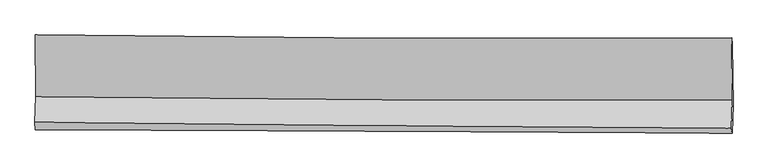
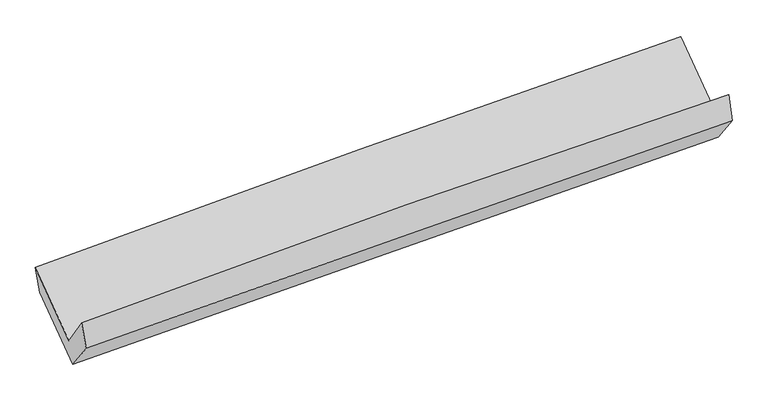
"""IFC4 building model written with IfcOpenShell, lengths in millimetres: proxy geometry."""

from ifc_helpers import new_model, si_unit, frame, origin, place, context, project, spatial, source, transform, mapped, element, save
from ifc_brep_helpers import plane_surface, spline_curve, spline_surface, advanced_brep


def generic_models_a8e38f56(model_context):
    return source(origin(), model_context, "Body", "AdvancedBrep", [
        advanced_brep(
        [(-3031.3999479, -1172.7543032, 2144.9178673), (-3023.7940213, -1707.1570258, 1737.2505601), (3014.8109085, -1734.8584179, 1921.6098211), (3007.9658065, -1197.3033173, 2331.7051627), (-3032.787462, -1930.1716535, 2051.7599925), (3005.6739762, -1982.2591995, 2236.7979546), (-3027.6969292, -1995.5012063, 1836.2007445), (3011.1709176, -2023.4542053, 2001.4429445), (-3019.0393058, -1766.5470173, 1536.2309148), (3020.2872548, -1782.3691538, 1685.579574), (-3026.3709437, -1238.1987186, 1931.7868093), (3013.7524691, -1254.858473, 2080.5309761)],
        [
            (0, 1),
            (1, 2, spline_curve(3, [(-3023.7940213, -1707.1570258, 1737.2505601), (-2017.919612166, -1721.992293762, 1791.727996464), (-1011.685904426, -1731.717935366, 1834.330536819), (1001.182632126, -1740.948510155, 1895.776134159), (2007.817234017, -1740.45666601, 1914.626681048), (3014.8109085, -1734.8584179, 1921.6098211)], [4, 2, 4], [0.0, 9.91372837268579, 19.824329980406524])),
            (2, 3),
            (3, 0, spline_curve(3, [(3007.9658065, -1197.3033173, 2331.7051627), (2000.88869235, -1205.307548948, 2322.883229447), (994.148981933, -1207.265189877, 2302.910869021), (-1018.973149431, -1199.086001072, 2240.655474233), (-2025.355356731, -1188.945355471, 2198.365402773), (-3031.3999479, -1172.7543032, 2144.9178673)], [4, 2, 4], [0.0, 9.910601607720734, 19.824329980406524])),
            (1, 4),
            (4, 5, spline_curve(3, [(-3032.787462, -1930.1716535, 2051.7599925), (-2026.966076281, -1942.993657485, 2109.019658908), (-1020.770837201, -1953.745646645, 2153.069671195), (992.049878243, -1971.106856482, 2214.740660833), (1998.675118488, -1977.717382749, 2232.369969121), (3005.6739762, -1982.2591995, 2236.7979546)], [4, 2, 4], [0.0, 9.913102775786188, 19.823078983919007])),
            (5, 2),
            (4, 6),
            (6, 7, spline_curve(3, [(-3027.6969292, -1995.5012063, 1836.2007445), (-2021.240934615, -2000.423502538, 1867.818835262), (-1014.694563138, -2005.214413894, 1897.399914766), (998.261442842, -2014.531997104, 1952.479363505), (2004.671020356, -2019.058752214, 1977.979017367), (3011.1709176, -2023.4542053, 2001.4429445)], [4, 2, 4], [0.0, 9.912226903308877, 19.82132751521236])),
            (7, 5),
            (6, 8),
            (8, 9, spline_curve(3, [(-3019.0393058, -1766.5470173, 1536.2309148), (-2012.506876048, -1769.447959021, 1565.20067974), (-1005.884054748, -1772.217128405, 1592.132925458), (1007.224855535, -1777.491090967, 1641.914526808), (2013.710888096, -1779.995966936, 1664.765167527), (3020.2872548, -1782.3691538, 1685.579574)], [4, 2, 4], [0.0, 9.91166354303295, 19.820200972342914])),
            (9, 7),
            (8, 10),
            (10, 11, spline_curve(3, [(-3026.3709437, -1238.1987186, 1931.7868093), (-2019.654522319, -1243.722925309, 1958.796876803), (-1012.873294356, -1247.873343586, 1984.699038423), (1000.501217252, -1253.425728871, 2034.279728332), (2007.09446038, -1254.828561783, 2057.958955904), (3013.7524691, -1254.858473, 2080.5309761)], [4, 2, 4], [0.0, 9.912315374405926, 19.821504429502895])),
            (11, 9),
            (10, 0),
            (3, 11),
        ],
        [
            spline_surface(3, 3, [[(-3031.3999479, -1172.7543032, 2144.9178673), (-2025.355356798, -1188.945355371, 2198.365402921), (-1018.973149279, -1199.086001101, 2240.655474216), (994.148981782, -1207.265189848, 2302.910869038), (2000.888692408, -1205.307548797, 2322.883229574), (3007.9658065, -1197.3033173, 2331.7051627)], [(-3028.864639025, -1350.888544089, 2009.028764894), (-2022.876775287, -1366.627668179, 2062.819600718), (-1016.544067659, -1376.629979185, 2105.213828363), (996.4935319, -1385.159629928, 2167.19929076), (2003.198206358, -1383.690587814, 2186.797713344), (3010.247507196, -1376.488350831, 2195.006715496)], [(-3026.329330175, -1529.022784911, 1873.139662506), (-2020.398193801, -1544.309980918, 1927.273798533), (-1014.114986048, -1554.173957309, 1969.77218257), (998.83808201, -1563.054070047, 2031.48771254), (2005.50772022, -1562.073626838, 2050.712197128), (3012.529207804, -1555.673384369, 2058.308268304)], [(-3023.7940213, -1707.1570258, 1737.2505601), (-2017.91961229, -1721.992293725, 1791.727996329), (-1011.685904428, -1731.717935393, 1834.330536717), (1001.182632129, -1740.948510127, 1895.776134261), (2007.817234169, -1740.456665855, 1914.626680899), (3014.8109085, -1734.8584179, 1921.6098211)]], [4, 4], [4, 2, 4], [0.0, 2.2002115826681714], [0.0, 9.91372837268579, 19.824329980406524]),
            spline_surface(3, 3, [[(-3023.7940213, -1707.1570258, 1737.2505601), (-2017.91961229, -1721.992293725, 1791.727996329), (-1011.685904428, -1731.717935393, 1834.330536717), (1001.182632129, -1740.948510127, 1895.776134261), (2007.817234169, -1740.456665855, 1914.626680899), (3014.8109085, -1734.8584179, 1921.6098211)], [(-3026.791834858, -1781.495235026, 1842.087037563), (-2020.935100245, -1795.659415015, 1897.491883876), (-1014.714215324, -1805.7271725, 1940.576914924), (998.138380778, -1817.667958909, 2002.097643094), (2004.769862244, -1819.543571472, 2020.541110306), (3011.765264397, -1817.325345082, 2026.672532267)], [(-3029.789648442, -1855.833444274, 1946.923515037), (-2023.950588227, -1869.326536327, 2003.255771434), (-1017.742526178, -1879.736409578, 2046.823293096), (995.094129468, -1894.387407661, 2108.419151893), (2001.722490328, -1898.630477143, 2126.455539711), (3008.719620303, -1899.792272318, 2131.735243433)], [(-3032.787462, -1930.1716535, 2051.7599925), (-2026.966076181, -1942.993657617, 2109.01965898), (-1020.770837074, -1953.745646684, 2153.069671303), (992.049878117, -1971.106856443, 2214.740660726), (1998.675118403, -1977.71738276, 2232.369969119), (3005.6739762, -1982.2591995, 2236.7979546)]], [4, 4], [4, 2, 4], [0.0, 1.2827493085654056], [0.0, 9.913102775786188, 19.823078983919007]),
            spline_surface(3, 3, [[(-3032.787462, -1930.1716535, 2051.7599925), (-2026.966076181, -1942.993657617, 2109.01965898), (-1020.770837074, -1953.745646684, 2153.069671303), (992.049878117, -1971.106856443, 2214.740660726), (1998.675118403, -1977.71738276, 2232.369969119), (3005.6739762, -1982.2591995, 2236.7979546)], [(-3031.090617756, -1951.948171081, 1979.90690985), (-2025.057695659, -1962.136939208, 2028.619384466), (-1018.745412406, -1970.901902366, 2067.846419151), (994.1203997, -1985.58190336, 2127.320228297), (2000.673752351, -1991.497839259, 2147.572985207), (3007.506289976, -1995.990868101, 2158.346284586)], [(-3029.393773444, -1973.724688719, 1908.05382715), (-2023.14931507, -1981.280220854, 1948.219109902), (-1016.719987784, -1988.058158085, 1982.623166991), (996.190921237, -2000.056950314, 2039.899795861), (2002.67238637, -2005.278295754, 2062.776001238), (3009.338603824, -2009.722536699, 2079.894614514)], [(-3027.6969292, -1995.5012063, 1836.2007445), (-2021.240934548, -2000.423502445, 1867.818835387), (-1014.694563115, -2005.214413766, 1897.399914838), (998.26144282, -2014.531997231, 1952.479363432), (2004.671020318, -2019.058752253, 1977.979017326), (3011.1709176, -2023.4542053, 2001.4429445)]], [4, 4], [4, 2, 4], [0.0, 0.8639996187027604], [0.0, 9.912226903308877, 19.82132751521236]),
            spline_surface(3, 3, [[(-3027.6969292, -1995.5012063, 1836.2007445), (-2021.240934548, -2000.423502445, 1867.818835387), (-1014.694563115, -2005.214413766, 1897.399914838), (998.26144282, -2014.531997231, 1952.479363432), (2004.671020318, -2019.058752253, 1977.979017326), (3011.1709176, -2023.4542053, 2001.4429445)], [(-3024.811054703, -1919.183143297, 1736.210801264), (-2018.329581701, -1923.431654662, 1766.94611684), (-1011.757727034, -1927.548652024, 1795.64425173), (1001.249247101, -1935.518361797, 1848.957751234), (2007.684309562, -1939.37115717, 1873.574400706), (3014.209696688, -1943.092521468, 1896.155154316)], [(-3021.925180297, -1842.865080303, 1636.220858036), (-2015.418228945, -1846.43980689, 1666.073398301), (-1008.820890955, -1849.882890233, 1693.888588579), (1004.23705138, -1856.504726315, 1745.436138994), (2010.697598741, -1859.683562084, 1769.169784139), (3017.248475712, -1862.730837632, 1790.867364184)], [(-3019.0393058, -1766.5470173, 1536.2309148), (-2012.506876098, -1769.447959107, 1565.200679754), (-1005.884054874, -1772.21712849, 1592.13292547), (1007.224855662, -1777.491090881, 1641.914526796), (2013.710887985, -1779.995967, 1664.76516752), (3020.2872548, -1782.3691538, 1685.579574)]], [4, 4], [4, 2, 4], [0.0, 1.2711904005107977], [0.0, 9.91166354303295, 19.820200972342914]),
            spline_surface(3, 3, [[(-3019.0393058, -1766.5470173, 1536.2309148), (-2012.506876098, -1769.447959107, 1565.200679754), (-1005.884054874, -1772.21712849, 1592.13292547), (1007.224855662, -1777.491090881, 1641.914526796), (2013.710887985, -1779.995967, 1664.76516752), (3020.2872548, -1782.3691538, 1685.579574)], [(-3021.483185124, -1590.430917733, 1668.082879632), (-2014.889424848, -1594.20628114, 1696.399412133), (-1008.213801405, -1597.435866871, 1722.988296385), (1004.983642894, -1602.802636815, 1772.702927323), (2011.505412141, -1604.94016525, 1795.82976369), (3018.108992902, -1606.532260225, 1817.230041367)], [(-3023.927064376, -1414.314818167, 1799.934844468), (-2017.271973525, -1418.964603175, 1827.598144516), (-1010.543547934, -1422.654605324, 1853.843667381), (1002.742430129, -1428.11418282, 1903.491327931), (2009.299936291, -1429.884363425, 1926.894359859), (3015.930730998, -1430.695366575, 1948.880508733)], [(-3026.3709437, -1238.1987186, 1931.7868093), (-2019.654522275, -1243.722925208, 1958.796876895), (-1012.873294465, -1247.873343705, 1984.699038296), (1000.501217361, -1253.425728753, 2034.279728459), (2007.094460446, -1254.828561675, 2057.958956029), (3013.7524691, -1254.858473, 2080.5309761)]], [4, 4], [4, 2, 4], [0.0, 2.1485539128900117], [0.0, 9.912315374405926, 19.821504429502895]),
            spline_surface(3, 3, [[(-3026.3709437, -1238.1987186, 1931.7868093), (-2019.654522275, -1243.722925208, 1958.796876895), (-1012.873294465, -1247.873343705, 1984.699038296), (1000.501217361, -1253.425728753, 2034.279728459), (2007.094460446, -1254.828561675, 2057.958956029), (3013.7524691, -1254.858473, 2080.5309761)], [(-3028.047278434, -1216.383913474, 2002.830495298), (-2021.554800449, -1225.46373527, 2038.653052236), (-1014.906579407, -1231.610896194, 2070.017850287), (998.383805496, -1238.038882475, 2123.823442003), (2005.025871075, -1238.321557376, 2146.267047213), (3011.823581541, -1235.673421094, 2164.255704969)], [(-3029.723613166, -1194.569108326, 2073.874181302), (-2023.455078623, -1207.20454531, 2118.509227581), (-1016.939864336, -1215.348448612, 2155.336662225), (996.266393646, -1222.652036126, 2213.367155494), (2002.957281779, -1221.814553096, 2234.57513839), (3009.894694059, -1216.488369206, 2247.980433831)], [(-3031.3999479, -1172.7543032, 2144.9178673), (-2025.355356798, -1188.945355371, 2198.365402921), (-1018.973149279, -1199.086001101, 2240.655474216), (994.148981782, -1207.265189848, 2302.910869038), (2000.888692408, -1205.307548797, 2322.883229574), (3007.9658065, -1197.3033173, 2331.7051627)]], [4, 4], [4, 2, 4], [0.0, 0.8747580544167504], [0.0, 9.913449945976147, 19.823773214802323]),
            plane_surface(frame((3012.2768888, -1662.5171278, 2042.9444055), z_axis=(0.9996856670834379, -0.005865942851172406, 0.02437535112380505), x_axis=(-0.009916034271829598, 0.8004568524747296, 0.5993083510102032))),
            plane_surface(frame((-3026.8481017, -1635.0549874, 1873.0244814), z_axis=(-0.9996728891438805, 0.004918247666906172, -0.02509831768493577), x_axis=(0.02255065641933061, -0.2934605871990588, -0.95570515937492))),
        ],
        [
            (0, [[1, 2, 3, 4]]),
            (1, [[5, 6, 7, -2]]),
            (2, [[8, 9, 10, -6]]),
            (3, [[11, 12, 13, -9]]),
            (4, [[14, 15, 16, -12]]),
            (5, [[17, -4, 18, -15]]),
            (6, [[-16, -18, -3, -7, -10, -13]]),
            (7, [[-17, -14, -11, -8, -5, -1]]),
        ],
    ),
    ])


if __name__ == "__main__":
    model = new_model("IFC4")
    model_context = context("Model", 3, world=origin())
    ifc_project = project(units=[si_unit("LENGTHUNIT", "METRE", prefix="MILLI")], contexts=[model_context])
    site = spatial("IfcSite", under=ifc_project)
    building = spatial("IfcBuilding", under=site)
    placement = place(None, origin())
    generic_models_shape = generic_models_a8e38f56(model_context)
    element("IfcBuildingElementProxy", 1, Name="Generic Models", at=placement, inside=building, context=model_context, shape_type="MappedRepresentation", body=[
        mapped(generic_models_shape, transform((0.0, 0.0, 0.0), x_axis=(1.0, 0.0, 0.0), y_axis=(0.0, 1.0, 0.0), z_axis=(0.0, 0.0, 1.0))),
    ])
    save(model, "model.ifc")
